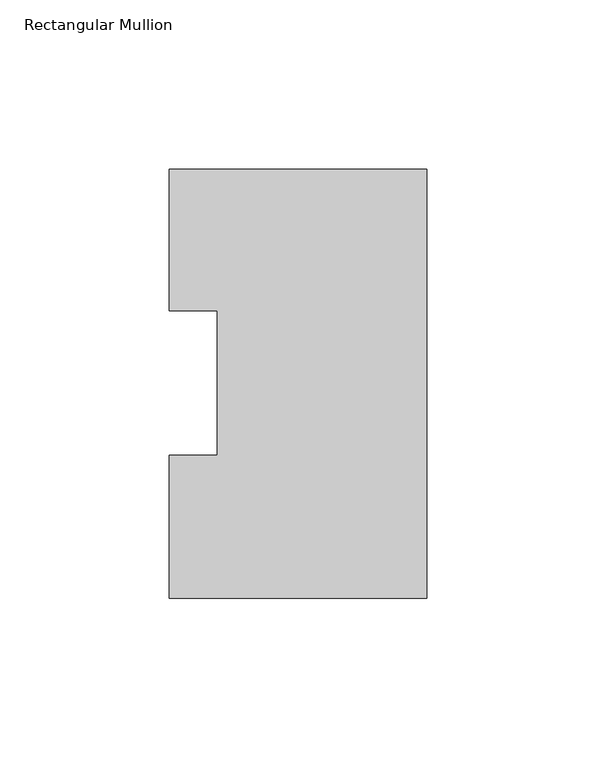
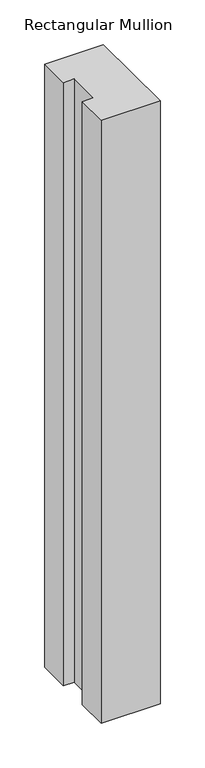
"""IFC4 building model written with IfcOpenShell, lengths in millimetres: member geometry, Rectangular Mullion."""

from ifc_helpers import new_model, si_unit, frame, origin, place, context, project, spatial, polyline, outline, extrude, source, transform, mapped, element, save


def rectangular_mullion_6d15e22e(model_context):
    return source(origin(), model_context, "Body", "SweptSolid", [
        extrude(outline(polyline([(-76.1994574, 126.9888875), (0.0, 126.9888875), (0.0, -0.0111125), (-76.1994574, -0.0111125), (-76.1994574, 42.2798875), (-61.9139549, 42.2798875), (-61.9139549, 85.1296875), (-76.1994574, 85.1296875), (-76.1994574, 126.9888875)])), frame((0.0, 0.0, -825.2591858), z_axis=(0.0, 0.0, 1.0), x_axis=(1.0, 0.0, 0.0)), (0.0, 0.0, 1.0), 825.2591858),
    ])


if __name__ == "__main__":
    model = new_model("IFC4")
    model_context = context("Model", 3, world=origin())
    ifc_project = project(units=[si_unit("LENGTHUNIT", "METRE", prefix="MILLI")], contexts=[model_context])
    site = spatial("IfcSite", under=ifc_project)
    building = spatial("IfcBuilding", under=site)
    placement = place(None, origin())
    rectangular_mullion_shape = rectangular_mullion_6d15e22e(model_context)
    element("IfcMember", 1, ObjectType="Rectangular Mullion", at=placement, inside=building, context=model_context, shape_type="MappedRepresentation", body=[
        mapped(rectangular_mullion_shape, transform((0.0, 0.0, 0.0), x_axis=(1.0, 0.0, 0.0), y_axis=(0.0, 1.0, 0.0), z_axis=(0.0, 0.0, 1.0))),
    ])
    save(model, "model.ifc")
